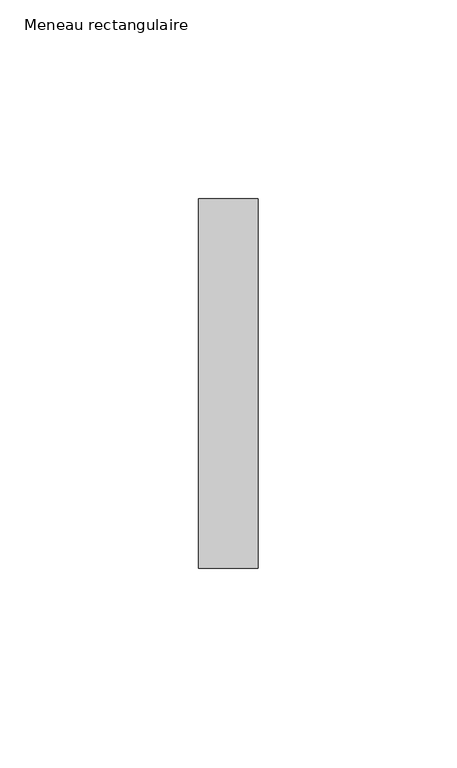
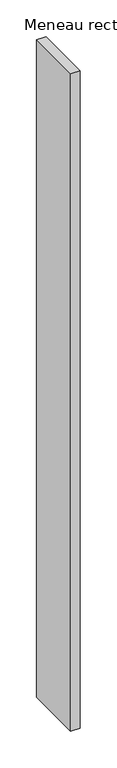
"""IFC4 building model written with IfcOpenShell, lengths in millimetres: member geometry, Meneau rectangulaire."""

from ifc_helpers import new_model, si_unit, frame, origin, place, context, project, spatial, polyline, outline, extrude, source, transform, mapped, element, save


def meneau_rectangulaire_7d7dca73(model_context):
    return source(origin(), model_context, "Body", "SweptSolid", [
        extrude(outline(polyline([(0.0, 46.5), (0.0, -46.5), (-15.0, -46.5), (-15.0, 46.5), (0.0, 46.5)])), frame((0.0, 0.0, -1091.9999998), z_axis=(0.0, 0.0, 1.0), x_axis=(1.0, 0.0, 0.0)), (0.0, 0.0, 1.0), 1091.9999998),
    ])


if __name__ == "__main__":
    model = new_model("IFC4")
    model_context = context("Model", 3, world=origin())
    ifc_project = project(units=[si_unit("LENGTHUNIT", "METRE", prefix="MILLI")], contexts=[model_context])
    site = spatial("IfcSite", under=ifc_project)
    building = spatial("IfcBuilding", under=site)
    placement = place(None, origin())
    meneau_rectangulaire_shape = meneau_rectangulaire_7d7dca73(model_context)
    element("IfcMember", 1, ObjectType="Meneau rectangulaire", at=placement, inside=building, context=model_context, shape_type="MappedRepresentation", body=[
        mapped(meneau_rectangulaire_shape, transform((0.0, 0.0, 0.0), x_axis=(1.0, 0.0, 0.0), y_axis=(0.0, 1.0, 0.0), z_axis=(0.0, 0.0, 1.0))),
    ])
    save(model, "model.ifc")
